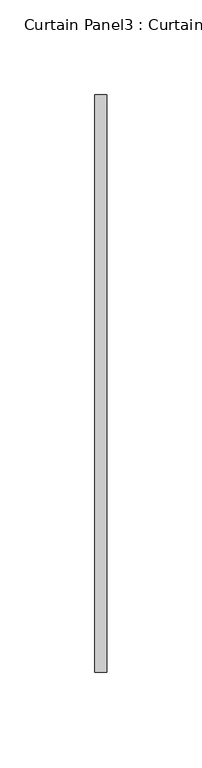
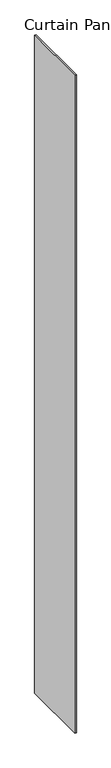
"""IFC4 building model written with IfcOpenShell, lengths in millimetres: plate geometry, Curtain Panel3 : Curtain Panel."""

from ifc_helpers import new_model, si_unit, origin, origin_with_axes, place, context, project, spatial, polyline, outline, extrude, source, transform, mapped, element, save


def curtain_panel3_curtain_panel_137bee31(model_context):
    return source(origin(), model_context, "Body", "SweptSolid", [
        extrude(outline(polyline([(111499.5810674, 2030.7041784), (111499.5810674, 2335.5041784), (111505.9310674, 2335.5041784), (111505.9310674, 2030.7041784), (111499.5810674, 2030.7041784)])), origin_with_axes(), (0.0, 0.0, 1.0), 3048.0),
    ])


if __name__ == "__main__":
    model = new_model("IFC4")
    model_context = context("Model", 3, world=origin())
    ifc_project = project(units=[si_unit("LENGTHUNIT", "METRE", prefix="MILLI")], contexts=[model_context])
    site = spatial("IfcSite", under=ifc_project)
    building = spatial("IfcBuilding", under=site)
    placement = place(None, origin())
    curtain_panel3_curtain_panel_shape = curtain_panel3_curtain_panel_137bee31(model_context)
    element("IfcPlate", 1, ObjectType="Curtain Panel3 : Curtain Panel", at=placement, inside=building, context=model_context, shape_type="MappedRepresentation", body=[
        mapped(curtain_panel3_curtain_panel_shape, transform((0.0, 0.0, 0.0), x_axis=(1.0, 0.0, 0.0), y_axis=(0.0, 1.0, 0.0), z_axis=(0.0, 0.0, 1.0))),
    ])
    save(model, "model.ifc")
